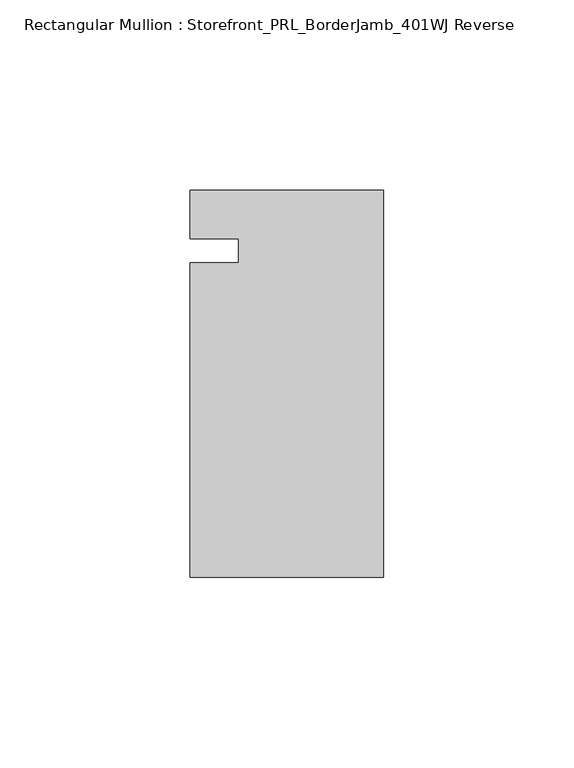
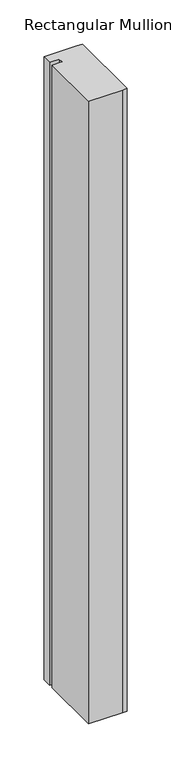
"""IFC4 building model written with IfcOpenShell, lengths in millimetres: member geometry, Rectangular Mullion : Storefront_PRL_BorderJamb_401WJ Reverse."""

from ifc_helpers import new_model, si_unit, frame, origin, place, context, project, spatial, polyline, outline, extrude, source, transform, mapped, element, save


def rectangular_mullion_storefront_prl_borderjamb_401wj_reverse_d86e7e4f(model_context):
    return source(origin(), model_context, "Body", "SweptSolid", [
        extrude(outline(polyline([(-38.1, -3.175), (-38.1, 3.175), (-50.8, 3.175), (-50.8, 15.875), (-7.3958824, 15.875), (0.0, 15.875), (0.0, -85.725), (-6.35, -85.725), (-50.8, -85.725), (-50.8, -3.175), (-38.1, -3.175)])), frame((0.0, 0.0, -863.6), z_axis=(0.0, 0.0, 1.0), x_axis=(1.0, 0.0, 0.0)), (0.0, 0.0, 1.0), 863.6),
    ])


if __name__ == "__main__":
    model = new_model("IFC4")
    model_context = context("Model", 3, world=origin())
    ifc_project = project(units=[si_unit("LENGTHUNIT", "METRE", prefix="MILLI")], contexts=[model_context])
    site = spatial("IfcSite", under=ifc_project)
    building = spatial("IfcBuilding", under=site)
    placement = place(None, origin())
    rectangular_mullion_storefront_prl_borderjamb_401wj_reverse_shape = rectangular_mullion_storefront_prl_borderjamb_401wj_reverse_d86e7e4f(model_context)
    element("IfcMember", 1, ObjectType="Rectangular Mullion : Storefront_PRL_BorderJamb_401WJ Reverse", at=placement, inside=building, context=model_context, shape_type="MappedRepresentation", body=[
        mapped(rectangular_mullion_storefront_prl_borderjamb_401wj_reverse_shape, transform((0.0, 0.0, 0.0), x_axis=(1.0, 0.0, 0.0), y_axis=(0.0, 1.0, 0.0), z_axis=(0.0, 0.0, 1.0))),
    ])
    save(model, "model.ifc")
